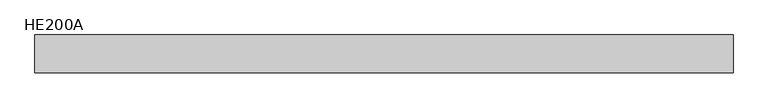
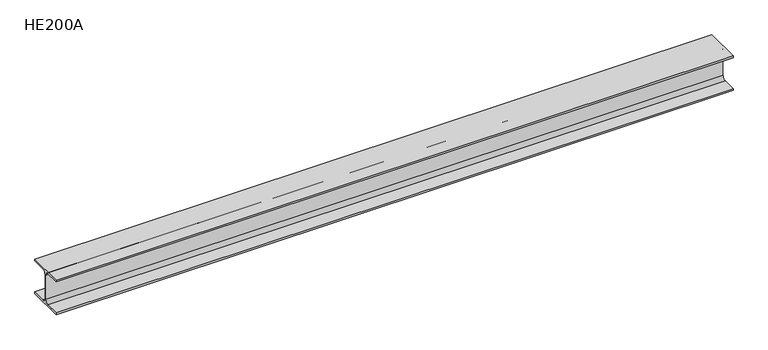
"""IFC4 building model written with IfcOpenShell, lengths in millimetres: beam geometry, HE200A."""

from ifc_helpers import new_model, si_unit, point, frame, frame_2d, origin, place, context, project, spatial, polyline, circle_curve, trimmed, segment, composite_curve, outline, extrude, source, transform, mapped, element, save


def he200a_1b69fc35(model_context):
    return source(origin(), model_context, "Body", "SweptSolid", [
        extrude(outline(composite_curve([segment(polyline([(100.0, -90.0), (100.0, -100.0), (-100.0, -100.0), (-100.0, -90.0), (-24.0, -90.0)]), True, "CONTINUOUS"), segment(trimmed(circle_curve(frame_2d((-24.0, -70.0)), 20.0), [point((-24.0, -90.0))], [point((-4.0, -70.0))], True, "CARTESIAN"), True, "CONTINUOUS"), segment(polyline([(-4.0, -70.0), (-4.0, 70.0)]), True, "CONTINUOUS"), segment(trimmed(circle_curve(frame_2d((-24.0, 70.0)), 20.0), [point((-4.0, 70.0))], [point((-24.0, 90.0))], True, "CARTESIAN"), True, "CONTINUOUS"), segment(polyline([(-24.0, 90.0), (-100.0, 90.0), (-100.0, 100.0), (100.0, 100.0), (100.0, 90.0), (24.0, 90.0)]), True, "CONTINUOUS"), segment(trimmed(circle_curve(frame_2d((24.0, 70.0)), 20.0), [point((24.0, 90.0))], [point((4.0, 70.0))], True, "CARTESIAN"), True, "CONTINUOUS"), segment(polyline([(4.0, 70.0), (4.0, -70.0)]), True, "CONTINUOUS"), segment(trimmed(circle_curve(frame_2d((24.0, -70.0)), 20.0), [point((4.0, -70.0))], [point((24.0, -90.0))], True, "CARTESIAN"), True, "CONTINUOUS"), segment(polyline([(24.0, -90.0), (100.0, -90.0)]), True, "CONTINUOUS")], self_intersect=False)), frame((-1898.0, 0.0, 0.0), z_axis=(1.0, 0.0, 0.0), x_axis=(0.0, 1.0, 0.0)), (0.0, 0.0, 1.0), 3706.0),
    ])


if __name__ == "__main__":
    model = new_model("IFC4")
    model_context = context("Model", 3, world=origin())
    ifc_project = project(units=[si_unit("LENGTHUNIT", "METRE", prefix="MILLI")], contexts=[model_context])
    site = spatial("IfcSite", under=ifc_project)
    building = spatial("IfcBuilding", under=site)
    placement = place(None, origin())
    he200a_shape = he200a_1b69fc35(model_context)
    element("IfcBeam", 1, ObjectType="HE200A", at=placement, inside=building, context=model_context, shape_type="MappedRepresentation", body=[
        mapped(he200a_shape, transform((0.0, 0.0, 0.0), x_axis=(1.0, 0.0, 0.0), y_axis=(0.0, 1.0, 0.0), z_axis=(0.0, 0.0, 1.0))),
    ])
    save(model, "model.ifc")
